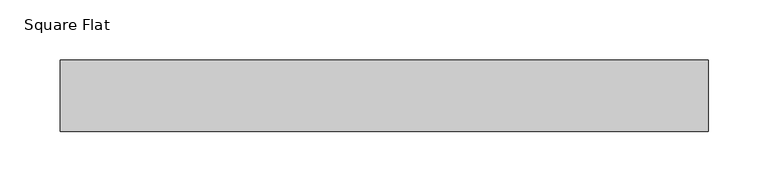
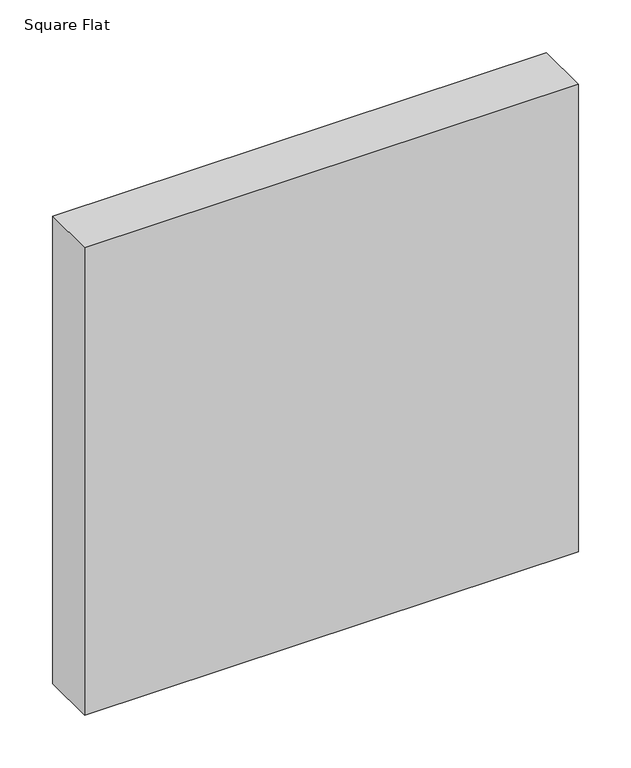
"""IFC4 building model written with IfcOpenShell, lengths in millimetres: furniture geometry, Square Flat."""

from ifc_helpers import new_model, si_unit, frame, origin, place, context, project, spatial, polyline, outline, extrude, source, transform, mapped, element, save


def square_flat_b3748cbd(model_context):
    return source(origin(), model_context, "Body", "SweptSolid", [
        extrude(outline(polyline([(270.0, -60.0), (-270.0, -60.0), (-270.0, 0.0), (270.0, 0.0), (270.0, -60.0)])), frame((0.0, 0.0, 1500.0), z_axis=(0.0, 0.0, 1.0), x_axis=(1.0, 0.0, 0.0)), (0.0, 0.0, 1.0), 540.0),
    ])


if __name__ == "__main__":
    model = new_model("IFC4")
    model_context = context("Model", 3, world=origin())
    ifc_project = project(units=[si_unit("LENGTHUNIT", "METRE", prefix="MILLI")], contexts=[model_context])
    site = spatial("IfcSite", under=ifc_project)
    building = spatial("IfcBuilding", under=site)
    placement = place(None, origin())
    square_flat_shape = square_flat_b3748cbd(model_context)
    element("IfcFurniture", 1, ObjectType="Square Flat", at=placement, inside=building, context=model_context, shape_type="MappedRepresentation", body=[
        mapped(square_flat_shape, transform((0.0, 0.0, 0.0), x_axis=(1.0, 0.0, 0.0), y_axis=(0.0, 1.0, 0.0), z_axis=(0.0, 0.0, 1.0))),
    ])
    save(model, "model.ifc")
